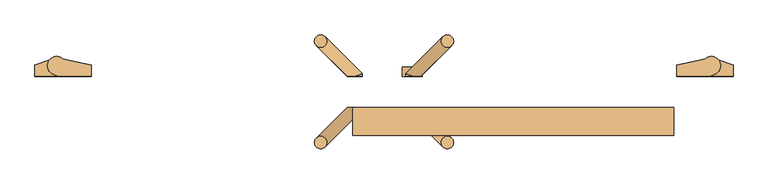
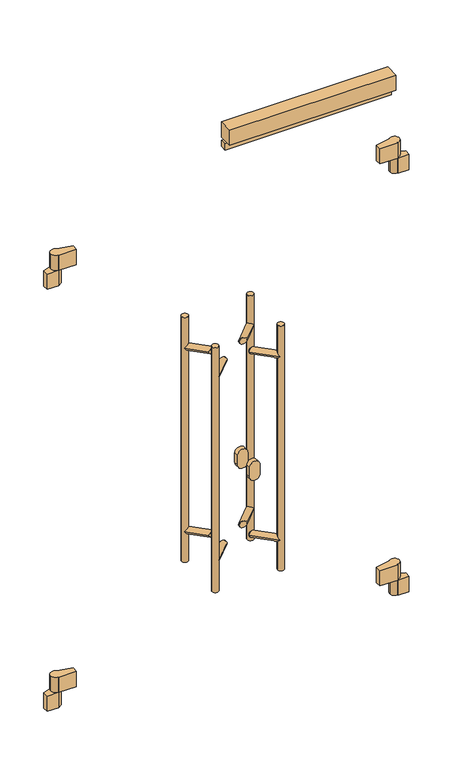
"""IFC4 building model written with IfcOpenShell, lengths in millimetres: door geometry."""

from ifc_helpers import new_model, si_unit, point, frame, frame_2d, origin, place, context, project, spatial, polyline, circle_curve, ellipse_curve, trimmed, segment, composite_curve, outline, extrude, source, transform, mapped, element, save
from ifc_brep_helpers import plane_surface, cylinder_surface, advanced_brep


def door_2e06adc5(model_context):
    return source(origin(), model_context, "Body", "SolidModel", [
        extrude(outline(polyline([(-630.0, -50.0), (-115.0, -50.0), (-115.0, -95.0), (-630.0, -95.0), (-630.0, -50.0)])), frame((0.0, 0.0, 2030.0), z_axis=(0.0, 0.0, 1.0), x_axis=(1.0, 0.0, 0.0)), (0.0, 0.0, 1.0), 50.0),
        extrude(outline(polyline([(-630.0, -50.0), (-115.0, -50.0), (-115.0, -70.0), (-630.0, -70.0), (-630.0, -50.0)])), frame((0.0, 0.0, 2000.0), z_axis=(0.0, 0.0, 1.0), x_axis=(1.0, 0.0, 0.0)), (0.0, 0.0, 1.0), 20.0),
        advanced_brep(
        [(-110.0, 0.0, 400.0), (-55.0, 0.0, 400.0), (-55.0, 2.0, 400.0), (-40.0, 17.0, 400.0), (-65.5040029, 27.7082175, 400.0), (-110.0, 18.0, 400.0), (-70.0, 17.0, 300.0), (-42.8866516, 25.846852, 300.0), (-20.0, 18.0, 300.0), (-20.0, 0.0, 300.0), (-55.0, 0.0, 300.0), (-55.0, 2.0, 300.0), (-55.0, 2.0, 350.0), (-40.0, 17.0, 350.0), (-70.0, 17.0, 350.0), (-55.0, 2.0, 350.0), (-42.8866516, 25.846852, 350.0), (-65.5040029, 27.7082175, 350.0), (-110.0, 0.0, 350.0), (-110.0, 18.0, 350.0), (-55.0, 0.0, 350.0), (-20.0, 0.0, 350.0), (-20.0, 18.0, 350.0)],
        [
            (0, 1),
            (1, 2),
            (2, 3, circle_curve(frame((-55.0, 17.0, 400.0), z_axis=(0.0, 0.0, 1.0), x_axis=(1.0, 0.0, 0.0)), 15.0)),
            (3, 4, circle_curve(frame((-55.0, 17.0, 400.0), z_axis=(0.0, 0.0, 1.0), x_axis=(1.0, 0.0, 0.0)), 15.0)),
            (4, 5),
            (5, 0),
            (6, 7, circle_curve(frame((-55.0, 17.0, 300.0), z_axis=(0.0, 0.0, -1.0), x_axis=(1.0, 0.0, 0.0)), 15.0)),
            (7, 8),
            (8, 9),
            (9, 10),
            (10, 11),
            (11, 6, circle_curve(frame((-55.0, 17.0, 300.0), z_axis=(0.0, 0.0, -1.0), x_axis=(1.0, 0.0, 0.0)), 15.0)),
            (2, 12),
            (12, 13, circle_curve(frame((-55.0, 17.0, 350.0), z_axis=(0.0, 0.0, 1.0), x_axis=(1.0, 0.0, 0.0)), 15.0)),
            (13, 3),
            (14, 6),
            (11, 15),
            (15, 14, circle_curve(frame((-55.0, 17.0, 350.0), z_axis=(0.0, 0.0, -1.0), x_axis=(1.0, 0.0, 0.0)), 15.0)),
            (13, 16, circle_curve(frame((-55.0, 17.0, 350.0), z_axis=(0.0, 0.0, 1.0), x_axis=(1.0, 0.0, 0.0)), 15.0)),
            (16, 7),
            (14, 17, circle_curve(frame((-55.0, 17.0, 350.0), z_axis=(0.0, 0.0, -1.0), x_axis=(1.0, 0.0, 0.0)), 15.0)),
            (17, 4),
            (18, 19),
            (19, 17),
            (15, 20),
            (20, 18),
            (0, 18),
            (20, 1),
            (20, 12),
            (19, 5),
            (20, 21),
            (21, 22),
            (22, 16),
            (10, 20),
            (9, 21),
            (8, 22),
        ],
        [
            plane_surface(frame((-40.0, 17.0, 400.0), z_axis=(0.0, 0.0, 1.0), x_axis=(0.0, 1.0, 0.0))),
            plane_surface(frame((-40.0, 17.0, 300.0), z_axis=(0.0, 0.0, -1.0), x_axis=(0.0, -1.0, 0.0))),
            cylinder_surface(frame((-55.0, 17.0, 300.0), z_axis=(0.0, 0.0, 1.0), x_axis=(1.0, 0.0, 0.0)), 15.0),
            plane_surface(frame((-55.0, 0.0, 350.0), z_axis=(0.0, 0.0, -1.0), x_axis=(-1.0, 0.0, 0.0))),
            plane_surface(frame((-110.0, 0.0, 400.0), z_axis=(0.0, -1.0, 0.0), x_axis=(0.0, 0.0, -1.0))),
            plane_surface(frame((-55.0, 0.0, 400.0), z_axis=(1.0, 0.0, 0.0), x_axis=(0.0, 0.0, -1.0))),
            plane_surface(frame((-55.0, 30.0, 400.0), z_axis=(-0.2131670752167252, 0.9770157614099924, 0.0), x_axis=(0.0, 0.0, -1.0))),
            plane_surface(frame((-110.0, 18.0, 400.0), z_axis=(-1.0, 0.0, 0.0), x_axis=(0.0, 0.0, -1.0))),
            plane_surface(frame((-55.0, 0.0, 350.0), z_axis=(0.0, 0.0, 1.0), x_axis=(0.0, -1.0, 0.0))),
            plane_surface(frame((-55.0, 30.0, 350.0), z_axis=(-1.0, 0.0, 0.0), x_axis=(0.0, 0.0, -1.0))),
            plane_surface(frame((-55.0, 0.0, 350.0), z_axis=(0.0, -1.0, 0.0), x_axis=(0.0, 0.0, -1.0))),
            plane_surface(frame((-20.0, 0.0, 350.0), z_axis=(1.0, 0.0, 0.0), x_axis=(0.0, 0.0, -1.0))),
            plane_surface(frame((-20.0, 18.0, 350.0), z_axis=(0.3243243243243251, 0.9459459459459457, 0.0), x_axis=(0.0, 0.0, -1.0))),
        ],
        [
            (0, [[1, 2, 3, 4, 5, 6]]),
            (1, [[7, 8, 9, 10, 11, 12]]),
            (2, [[-3, 13, 14, 15]]),
            (2, [[16, -12, 17, 18]]),
            (2, [[-4, -15, 19, 20, -7, -16, 21, 22]]),
            (3, [[23, 24, -21, -18, 25, 26]]),
            (4, [[-1, 27, -26, 28]]),
            (5, [[-28, 29, -13, -2]]),
            (6, [[30, -5, -22, -24]]),
            (7, [[-6, -30, -23, -27]]),
            (8, [[31, 32, 33, -19, -14, -29]]),
            (9, [[34, -25, -17, -11]]),
            (10, [[-31, -34, -10, 35]]),
            (11, [[-32, -35, -9, 36]]),
            (12, [[-36, -8, -20, -33]]),
        ],
    ),
        advanced_brep(
        [(-1050.0, 0.0, 400.0), (-1050.0, 18.0, 400.0), (-1094.4959971, 27.7082175, 400.0), (-1120.0, 17.0, 400.0), (-1105.0, 2.0, 400.0), (-1105.0, 0.0, 400.0), (-1117.1133484, 25.846852, 300.0), (-1090.0, 17.0, 300.0), (-1105.0, 2.0, 300.0), (-1105.0, 0.0, 300.0), (-1140.0, 0.0, 300.0), (-1140.0, 18.0, 300.0), (-1120.0, 17.0, 350.0), (-1105.0, 2.0, 350.0), (-1090.0, 17.0, 350.0), (-1105.0, 2.0, 350.0), (-1094.4959971, 27.7082175, 350.0), (-1117.1133484, 25.846852, 350.0), (-1050.0, 0.0, 350.0), (-1105.0, 0.0, 350.0), (-1050.0, 18.0, 350.0), (-1140.0, 18.0, 350.0), (-1140.0, 0.0, 350.0)],
        [
            (0, 1),
            (1, 2),
            (2, 3, circle_curve(frame((-1105.0, 17.0, 400.0), z_axis=(0.0, 0.0, 1.0), x_axis=(1.0, 0.0, 0.0)), 15.0)),
            (3, 4, circle_curve(frame((-1105.0, 17.0, 400.0), z_axis=(0.0, 0.0, 1.0), x_axis=(1.0, 0.0, 0.0)), 15.0)),
            (4, 5),
            (5, 0),
            (6, 7, circle_curve(frame((-1105.0, 17.0, 300.0), z_axis=(0.0, 0.0, -1.0), x_axis=(1.0, 0.0, 0.0)), 15.0)),
            (7, 8, circle_curve(frame((-1105.0, 17.0, 300.0), z_axis=(0.0, 0.0, -1.0), x_axis=(1.0, 0.0, 0.0)), 15.0)),
            (8, 9),
            (9, 10),
            (10, 11),
            (11, 6),
            (3, 12),
            (12, 13, circle_curve(frame((-1105.0, 17.0, 350.0), z_axis=(0.0, 0.0, 1.0), x_axis=(1.0, 0.0, 0.0)), 15.0)),
            (13, 4),
            (7, 14),
            (14, 15, circle_curve(frame((-1105.0, 17.0, 350.0), z_axis=(0.0, 0.0, -1.0), x_axis=(1.0, 0.0, 0.0)), 15.0)),
            (15, 8),
            (2, 16),
            (16, 14, circle_curve(frame((-1105.0, 17.0, 350.0), z_axis=(0.0, 0.0, -1.0), x_axis=(1.0, 0.0, 0.0)), 15.0)),
            (6, 17),
            (17, 12, circle_curve(frame((-1105.0, 17.0, 350.0), z_axis=(0.0, 0.0, 1.0), x_axis=(1.0, 0.0, 0.0)), 15.0)),
            (18, 19),
            (19, 15),
            (16, 20),
            (20, 18),
            (0, 18),
            (20, 1),
            (19, 5),
            (13, 19),
            (21, 22),
            (22, 19),
            (17, 21),
            (11, 21),
            (10, 22),
            (9, 19),
        ],
        [
            plane_surface(frame((-40.0, 17.0, 400.0), z_axis=(0.0, 0.0, 1.0), x_axis=(0.0, 1.0, 0.0))),
            plane_surface(frame((-40.0, 17.0, 300.0), z_axis=(0.0, 0.0, -1.0), x_axis=(0.0, -1.0, 0.0))),
            cylinder_surface(frame((-1105.0, 17.0, 0.0), z_axis=(0.0, 0.0, 1.0), x_axis=(1.0, 0.0, 0.0)), 15.0),
            plane_surface(frame((-55.0, 0.0, 350.0), z_axis=(0.0, 0.0, -1.0), x_axis=(-1.0, 0.0, 0.0))),
            plane_surface(frame((-1050.0, 0.0, 400.0), z_axis=(1.0, 0.0, 0.0), x_axis=(0.0, 0.0, -1.0))),
            plane_surface(frame((-1050.0, 18.0, 400.0), z_axis=(0.2131670752167282, 0.9770157614099917, 0.0), x_axis=(0.0, 0.0, -1.0))),
            plane_surface(frame((-1105.0, 30.0, 400.0), z_axis=(-1.0, 0.0, 0.0), x_axis=(0.0, 0.0, -1.0))),
            plane_surface(frame((-1105.0, 0.0, 400.0), z_axis=(0.0, -1.0, 0.0), x_axis=(0.0, 0.0, -1.0))),
            plane_surface(frame((-55.0, 0.0, 350.0), z_axis=(0.0, 0.0, 1.0), x_axis=(0.0, -1.0, 0.0))),
            plane_surface(frame((-1105.0, 30.0, 350.0), z_axis=(-0.3243243243243222, 0.9459459459459467, 0.0), x_axis=(0.0, 0.0, -1.0))),
            plane_surface(frame((-1140.0, 18.0, 350.0), z_axis=(-1.0, 0.0, 0.0), x_axis=(0.0, 0.0, -1.0))),
            plane_surface(frame((-1140.0, 0.0, 350.0), z_axis=(0.0, -1.0, 0.0), x_axis=(0.0, 0.0, -1.0))),
            plane_surface(frame((-1105.0, 0.0, 350.0), z_axis=(1.0, 0.0, 0.0), x_axis=(0.0, 0.0, -1.0))),
        ],
        [
            (0, [[1, 2, 3, 4, 5, 6]]),
            (1, [[7, 8, 9, 10, 11, 12]]),
            (2, [[-4, 13, 14, 15]]),
            (2, [[16, 17, 18, -8]]),
            (2, [[-3, 19, 20, -16, -7, 21, 22, -13]]),
            (3, [[23, 24, -17, -20, 25, 26]]),
            (4, [[-1, 27, -26, 28]]),
            (5, [[-28, -25, -19, -2]]),
            (6, [[29, -5, -15, 30]]),
            (7, [[-6, -29, -23, -27]]),
            (8, [[31, 32, -30, -14, -22, 33]]),
            (9, [[34, -33, -21, -12]]),
            (10, [[-31, -34, -11, 35]]),
            (11, [[-32, -35, -10, 36]]),
            (12, [[-36, -9, -18, -24]]),
        ],
    ),
        advanced_brep(
        [(-110.0, 0.0, 1780.0), (-55.0, 0.0, 1780.0), (-55.0, 2.0, 1780.0), (-40.0, 17.0, 1780.0), (-65.5040029, 27.7082175, 1780.0), (-110.0, 18.0, 1780.0), (-70.0, 17.0, 1680.0), (-42.8866516, 25.846852, 1680.0), (-20.0, 18.0, 1680.0), (-20.0, 0.0, 1680.0), (-55.0, 0.0, 1680.0), (-55.0, 2.0, 1680.0), (-55.0, 2.0, 1730.0), (-40.0, 17.0, 1730.0), (-70.0, 17.0, 1730.0), (-55.0, 2.0, 1730.0), (-42.8866516, 25.846852, 1730.0), (-65.5040029, 27.7082175, 1730.0), (-110.0, 0.0, 1730.0), (-110.0, 18.0, 1730.0), (-55.0, 0.0, 1730.0), (-20.0, 0.0, 1730.0), (-20.0, 18.0, 1730.0)],
        [
            (0, 1),
            (1, 2),
            (2, 3, circle_curve(frame((-55.0, 17.0, 1780.0), z_axis=(0.0, 0.0, 1.0), x_axis=(1.0, 0.0, 0.0)), 15.0)),
            (3, 4, circle_curve(frame((-55.0, 17.0, 1780.0), z_axis=(0.0, 0.0, 1.0), x_axis=(1.0, 0.0, 0.0)), 15.0)),
            (4, 5),
            (5, 0),
            (6, 7, circle_curve(frame((-55.0, 17.0, 1680.0), z_axis=(0.0, 0.0, -1.0), x_axis=(1.0, 0.0, 0.0)), 15.0)),
            (7, 8),
            (8, 9),
            (9, 10),
            (10, 11),
            (11, 6, circle_curve(frame((-55.0, 17.0, 1680.0), z_axis=(0.0, 0.0, -1.0), x_axis=(1.0, 0.0, 0.0)), 15.0)),
            (2, 12),
            (12, 13, circle_curve(frame((-55.0, 17.0, 1730.0), z_axis=(0.0, 0.0, 1.0), x_axis=(1.0, 0.0, 0.0)), 15.0)),
            (13, 3),
            (14, 6),
            (11, 15),
            (15, 14, circle_curve(frame((-55.0, 17.0, 1730.0), z_axis=(0.0, 0.0, -1.0), x_axis=(1.0, 0.0, 0.0)), 15.0)),
            (13, 16, circle_curve(frame((-55.0, 17.0, 1730.0), z_axis=(0.0, 0.0, 1.0), x_axis=(1.0, 0.0, 0.0)), 15.0)),
            (16, 7),
            (14, 17, circle_curve(frame((-55.0, 17.0, 1730.0), z_axis=(0.0, 0.0, -1.0), x_axis=(1.0, 0.0, 0.0)), 15.0)),
            (17, 4),
            (18, 19),
            (19, 17),
            (15, 20),
            (20, 18),
            (20, 1),
            (0, 18),
            (20, 12),
            (19, 5),
            (20, 21),
            (21, 22),
            (22, 16),
            (10, 20),
            (9, 21),
            (8, 22),
        ],
        [
            plane_surface(frame((-40.0, 17.0, 1780.0), z_axis=(0.0, 0.0, 1.0), x_axis=(0.0, 1.0, 0.0))),
            plane_surface(frame((-40.0, 17.0, 1680.0), z_axis=(0.0, 0.0, -1.0), x_axis=(0.0, -1.0, 0.0))),
            cylinder_surface(frame((-55.0, 17.0, 1680.0), z_axis=(0.0, 0.0, 1.0), x_axis=(1.0, 0.0, 0.0)), 15.0),
            plane_surface(frame((-55.0, 0.0, 1730.0), z_axis=(0.0, 0.0, -1.0), x_axis=(-1.0, 0.0, 0.0))),
            plane_surface(frame((-110.0, 0.0, 1780.0), z_axis=(0.0, -1.0, 0.0), x_axis=(0.0, 0.0, -1.0))),
            plane_surface(frame((-55.0, 0.0, 1780.0), z_axis=(1.0, 0.0, 0.0), x_axis=(0.0, 0.0, -1.0))),
            plane_surface(frame((-55.0, 30.0, 1780.0), z_axis=(-0.21316707521672512, 0.9770157614099924, 0.0), x_axis=(0.0, 0.0, -1.0))),
            plane_surface(frame((-110.0, 18.0, 1780.0), z_axis=(-1.0, 0.0, 0.0), x_axis=(0.0, 0.0, -1.0))),
            plane_surface(frame((-55.0, 0.0, 1730.0), z_axis=(0.0, 0.0, 1.0), x_axis=(0.0, -1.0, 0.0))),
            plane_surface(frame((-55.0, 30.0, 1730.0), z_axis=(-1.0, 0.0, 0.0), x_axis=(0.0, 0.0, -1.0))),
            plane_surface(frame((-55.0, 0.0, 1730.0), z_axis=(0.0, -1.0, 0.0), x_axis=(0.0, 0.0, -1.0))),
            plane_surface(frame((-20.0, 0.0, 1730.0), z_axis=(1.0, 0.0, 0.0), x_axis=(0.0, 0.0, -1.0))),
            plane_surface(frame((-20.0, 18.0, 1730.0), z_axis=(0.3243243243243251, 0.9459459459459457, 0.0), x_axis=(0.0, 0.0, -1.0))),
        ],
        [
            (0, [[1, 2, 3, 4, 5, 6]]),
            (1, [[7, 8, 9, 10, 11, 12]]),
            (2, [[-3, 13, 14, 15]]),
            (2, [[16, -12, 17, 18]]),
            (2, [[-4, -15, 19, 20, -7, -16, 21, 22]]),
            (3, [[23, 24, -21, -18, 25, 26]]),
            (4, [[-26, 27, -1, 28]]),
            (5, [[-27, 29, -13, -2]]),
            (6, [[30, -5, -22, -24]]),
            (7, [[-23, -28, -6, -30]]),
            (8, [[31, 32, 33, -19, -14, -29]]),
            (9, [[34, -25, -17, -11]]),
            (10, [[-10, 35, -31, -34]]),
            (11, [[-9, 36, -32, -35]]),
            (12, [[-36, -8, -20, -33]]),
        ],
    ),
        advanced_brep(
        [(-1050.0, 0.0, 1780.0), (-1050.0, 18.0, 1780.0), (-1094.4959971, 27.7082175, 1780.0), (-1120.0, 17.0, 1780.0), (-1105.0, 2.0, 1780.0), (-1105.0, 0.0, 1780.0), (-1117.1133484, 25.846852, 1680.0), (-1090.0, 17.0, 1680.0), (-1105.0, 2.0, 1680.0), (-1105.0, 0.0, 1680.0), (-1140.0, 0.0, 1680.0), (-1140.0, 18.0, 1680.0), (-1120.0, 17.0, 1730.0), (-1105.0, 2.0, 1730.0), (-1090.0, 17.0, 1730.0), (-1105.0, 2.0, 1730.0), (-1094.4959971, 27.7082175, 1730.0), (-1117.1133484, 25.846852, 1730.0), (-1050.0, 0.0, 1730.0), (-1105.0, 0.0, 1730.0), (-1050.0, 18.0, 1730.0), (-1140.0, 18.0, 1730.0), (-1140.0, 0.0, 1730.0)],
        [
            (0, 1),
            (1, 2),
            (2, 3, circle_curve(frame((-1105.0, 17.0, 1780.0), z_axis=(0.0, 0.0, 1.0), x_axis=(1.0, 0.0, 0.0)), 15.0)),
            (3, 4, circle_curve(frame((-1105.0, 17.0, 1780.0), z_axis=(0.0, 0.0, 1.0), x_axis=(1.0, 0.0, 0.0)), 15.0)),
            (4, 5),
            (5, 0),
            (6, 7, circle_curve(frame((-1105.0, 17.0, 1680.0), z_axis=(0.0, 0.0, -1.0), x_axis=(1.0, 0.0, 0.0)), 15.0)),
            (7, 8, circle_curve(frame((-1105.0, 17.0, 1680.0), z_axis=(0.0, 0.0, -1.0), x_axis=(1.0, 0.0, 0.0)), 15.0)),
            (8, 9),
            (9, 10),
            (10, 11),
            (11, 6),
            (3, 12),
            (12, 13, circle_curve(frame((-1105.0, 17.0, 1730.0), z_axis=(0.0, 0.0, 1.0), x_axis=(1.0, 0.0, 0.0)), 15.0)),
            (13, 4),
            (7, 14),
            (14, 15, circle_curve(frame((-1105.0, 17.0, 1730.0), z_axis=(0.0, 0.0, -1.0), x_axis=(1.0, 0.0, 0.0)), 15.0)),
            (15, 8),
            (2, 16),
            (16, 14, circle_curve(frame((-1105.0, 17.0, 1730.0), z_axis=(0.0, 0.0, -1.0), x_axis=(1.0, 0.0, 0.0)), 15.0)),
            (6, 17),
            (17, 12, circle_curve(frame((-1105.0, 17.0, 1730.0), z_axis=(0.0, 0.0, 1.0), x_axis=(1.0, 0.0, 0.0)), 15.0)),
            (18, 19),
            (19, 15),
            (16, 20),
            (20, 18),
            (20, 1),
            (0, 18),
            (19, 5),
            (13, 19),
            (21, 22),
            (22, 19),
            (17, 21),
            (11, 21),
            (10, 22),
            (9, 19),
        ],
        [
            plane_surface(frame((-40.0, 17.0, 1780.0), z_axis=(0.0, 0.0, 1.0), x_axis=(0.0, 1.0, 0.0))),
            plane_surface(frame((-40.0, 17.0, 1680.0), z_axis=(0.0, 0.0, -1.0), x_axis=(0.0, -1.0, 0.0))),
            cylinder_surface(frame((-1105.0, 17.0, 0.0), z_axis=(0.0, 0.0, 1.0), x_axis=(1.0, 0.0, 0.0)), 15.0),
            plane_surface(frame((-55.0, 0.0, 1730.0), z_axis=(0.0, 0.0, -1.0), x_axis=(-1.0, 0.0, 0.0))),
            plane_surface(frame((-1050.0, 0.0, 1780.0), z_axis=(1.0, 0.0, 0.0), x_axis=(0.0, 0.0, -1.0))),
            plane_surface(frame((-1050.0, 18.0, 1780.0), z_axis=(0.2131670752167268, 0.977015761409992, 0.0), x_axis=(0.0, 0.0, -1.0))),
            plane_surface(frame((-1105.0, 30.0, 1780.0), z_axis=(-1.0, 0.0, 0.0), x_axis=(0.0, 0.0, -1.0))),
            plane_surface(frame((-1105.0, 0.0, 1780.0), z_axis=(0.0, -1.0, 0.0), x_axis=(0.0, 0.0, -1.0))),
            plane_surface(frame((-55.0, 0.0, 1730.0), z_axis=(0.0, 0.0, 1.0), x_axis=(0.0, -1.0, 0.0))),
            plane_surface(frame((-1105.0, 30.0, 1730.0), z_axis=(-0.324324324324321, 0.945945945945947, 0.0), x_axis=(0.0, 0.0, -1.0))),
            plane_surface(frame((-1140.0, 18.0, 1730.0), z_axis=(-1.0, 0.0, 0.0), x_axis=(0.0, 0.0, -1.0))),
            plane_surface(frame((-1140.0, 0.0, 1730.0), z_axis=(0.0, -1.0, 0.0), x_axis=(0.0, 0.0, -1.0))),
            plane_surface(frame((-1105.0, 0.0, 1730.0), z_axis=(1.0, 0.0, 0.0), x_axis=(0.0, 0.0, -1.0))),
        ],
        [
            (0, [[1, 2, 3, 4, 5, 6]]),
            (1, [[7, 8, 9, 10, 11, 12]]),
            (2, [[-4, 13, 14, 15]]),
            (2, [[16, 17, 18, -8]]),
            (2, [[-3, 19, 20, -16, -7, 21, 22, -13]]),
            (3, [[23, 24, -17, -20, 25, 26]]),
            (4, [[-26, 27, -1, 28]]),
            (5, [[-27, -25, -19, -2]]),
            (6, [[29, -5, -15, 30]]),
            (7, [[-23, -28, -6, -29]]),
            (8, [[31, 32, -30, -14, -22, 33]]),
            (9, [[34, -33, -21, -12]]),
            (10, [[-11, 35, -31, -34]]),
            (11, [[-10, 36, -32, -35]]),
            (12, [[-36, -9, -18, -24]]),
        ],
    ),
        advanced_brep(
        [(-488.4314575, 56.5685425, 1400.0), (-468.4314575, 56.5685425, 1400.0), (-488.4314575, 56.5685425, 600.0), (-468.4314575, 56.5685425, 600.0), (-535.0, 0.0, 710.0), (-545.0, 0.0, 700.0), (-535.0, 0.0, 690.0), (-520.8578644, 0.0, 700.0), (-535.0, 0.0, 1310.0), (-545.0, 0.0, 1300.0), (-535.0, 0.0, 1290.0), (-520.8578644, 0.0, 1300.0), (-545.0, 4.1421356, 700.0), (-545.0, 4.1421356, 1300.0), (-485.5025253, 63.6396103, 700.0), (-471.3603897, 49.4974747, 700.0), (-488.4314575, 56.5685425, 707.0710678), (-488.4314575, 56.5685425, 692.9289322), (-485.5025253, 63.6396103, 1300.0), (-471.3603897, 49.4974747, 1300.0), (-488.4314575, 56.5685425, 1307.0710678), (-488.4314575, 56.5685425, 1292.9289322)],
        [
            (0, 1, circle_curve(frame((-478.4314575, 56.5685425, 1400.0), z_axis=(0.0, 0.0, 1.0), x_axis=(1.0, 0.0, 0.0)), 10.0)),
            (1, 0, circle_curve(frame((-478.4314575, 56.5685425, 1400.0), z_axis=(0.0, 0.0, 1.0), x_axis=(1.0, 0.0, 0.0)), 10.0)),
            (2, 3, circle_curve(frame((-478.4314575, 56.5685425, 600.0), z_axis=(0.0, 0.0, -1.0), x_axis=(1.0, 0.0, 0.0)), 10.0)),
            (3, 2, circle_curve(frame((-478.4314575, 56.5685425, 600.0), z_axis=(0.0, 0.0, -1.0), x_axis=(1.0, 0.0, 0.0)), 10.0)),
            (4, 5, circle_curve(frame((-535.0, 0.0, 700.0), z_axis=(0.0, -1.0, 0.0), x_axis=(-1.0, 0.0, 0.0)), 10.0)),
            (5, 6, circle_curve(frame((-535.0, 0.0, 700.0), z_axis=(0.0, -1.0, 0.0), x_axis=(-1.0, 0.0, 0.0)), 10.0)),
            (6, 7, ellipse_curve(frame((-535.0, 0.0, 700.0), z_axis=(0.0, -1.0, 0.0), x_axis=(-1.0, 0.0, 0.0)), 14.1421356, 10.0)),
            (7, 4, ellipse_curve(frame((-535.0, 0.0, 700.0), z_axis=(0.0, -1.0, 0.0), x_axis=(-1.0, 0.0, 0.0)), 14.1421356, 10.0)),
            (8, 9, circle_curve(frame((-535.0, 0.0, 1300.0), z_axis=(0.0, -1.0, 0.0), x_axis=(-1.0, 0.0, 0.0)), 10.0)),
            (9, 10, circle_curve(frame((-535.0, 0.0, 1300.0), z_axis=(0.0, -1.0, 0.0), x_axis=(-1.0, 0.0, 0.0)), 10.0)),
            (10, 11, ellipse_curve(frame((-535.0, 0.0, 1300.0), z_axis=(0.0, -1.0, 0.0), x_axis=(-1.0, 0.0, 0.0)), 14.1421356, 10.0)),
            (11, 8, ellipse_curve(frame((-535.0, 0.0, 1300.0), z_axis=(0.0, -1.0, 0.0), x_axis=(-1.0, 0.0, 0.0)), 14.1421356, 10.0)),
            (4, 12, ellipse_curve(frame((-535.0, 0.0, 700.0), z_axis=(-0.3826834323651387, -0.9238795325112665, 0.0), x_axis=(0.9238795325112664, -0.3826834323651385, 0.0)), 10.823922, 10.0)),
            (12, 5),
            (12, 6, ellipse_curve(frame((-535.0, 0.0, 700.0), z_axis=(-0.3826834323651387, -0.9238795325112665, 0.0), x_axis=(0.9238795325112664, -0.3826834323651385, 0.0)), 10.823922, 10.0)),
            (8, 13, ellipse_curve(frame((-535.0, 0.0, 1300.0), z_axis=(-0.3826834323651387, -0.9238795325112665, 0.0), x_axis=(0.9238795325112664, -0.3826834323651385, 0.0)), 10.823922, 10.0)),
            (13, 9),
            (13, 10, ellipse_curve(frame((-535.0, 0.0, 1300.0), z_axis=(-0.3826834323651387, -0.9238795325112665, 0.0), x_axis=(0.9238795325112664, -0.3826834323651385, 0.0)), 10.823922, 10.0)),
            (14, 12),
            (7, 15),
            (15, 16, ellipse_curve(frame((-478.4314575, 56.5685425, 700.0), z_axis=(-0.5000000000000507, -0.4999999999999471, -0.707106781186549), x_axis=(-0.5000000000000551, -0.4999999999999471, 0.7071067811865459)), 14.1421356, 10.0)),
            (16, 14, ellipse_curve(frame((-478.4314575, 56.5685425, 700.0), z_axis=(-0.5000000000000507, -0.4999999999999471, -0.707106781186549), x_axis=(-0.5000000000000551, -0.4999999999999471, 0.7071067811865459)), 14.1421356, 10.0)),
            (14, 17, ellipse_curve(frame((-478.4314575, 56.5685425, 700.0), z_axis=(-0.5000000000000551, -0.4999999999999471, 0.7071067811865459), x_axis=(-0.5000000000000507, -0.4999999999999471, -0.7071067811865489)), 14.1421356, 10.0)),
            (17, 15, ellipse_curve(frame((-478.4314575, 56.5685425, 700.0), z_axis=(-0.5000000000000551, -0.4999999999999471, 0.7071067811865459), x_axis=(-0.5000000000000507, -0.4999999999999471, -0.7071067811865489)), 14.1421356, 10.0)),
            (18, 13),
            (11, 19),
            (19, 20, ellipse_curve(frame((-478.4314575, 56.5685425, 1300.0), z_axis=(-0.5000000000000507, -0.4999999999999471, -0.707106781186549), x_axis=(-0.5000000000000551, -0.4999999999999471, 0.7071067811865459)), 14.1421356, 10.0)),
            (20, 18, ellipse_curve(frame((-478.4314575, 56.5685425, 1300.0), z_axis=(-0.5000000000000507, -0.4999999999999471, -0.707106781186549), x_axis=(-0.5000000000000551, -0.4999999999999471, 0.7071067811865459)), 14.1421356, 10.0)),
            (18, 21, ellipse_curve(frame((-478.4314575, 56.5685425, 1300.0), z_axis=(-0.5000000000000551, -0.4999999999999471, 0.7071067811865459), x_axis=(-0.5000000000000507, -0.4999999999999471, -0.7071067811865489)), 14.1421356, 10.0)),
            (21, 19, ellipse_curve(frame((-478.4314575, 56.5685425, 1300.0), z_axis=(-0.5000000000000551, -0.4999999999999471, 0.7071067811865459), x_axis=(-0.5000000000000507, -0.4999999999999471, -0.7071067811865489)), 14.1421356, 10.0)),
            (0, 20),
            (21, 16),
            (17, 2),
            (3, 1),
        ],
        [
            plane_surface(frame((-468.4314575, 56.5685425, 1400.0), z_axis=(0.0, 0.0, 1.0), x_axis=(0.0, 1.0, 0.0))),
            plane_surface(frame((-468.4314575, 56.5685425, 600.0), z_axis=(0.0, 0.0, -1.0), x_axis=(0.0, -1.0, 0.0))),
            plane_surface(frame((-675.0, 0.0, 600.0), z_axis=(0.0, -1.0, 0.0), x_axis=(0.0, 0.0, 1.0))),
            cylinder_surface(frame((-535.0, -50.0, 700.0), z_axis=(0.0, -1.0, 0.0), x_axis=(-1.0, 0.0, 0.0)), 10.0),
            cylinder_surface(frame((-535.0, -50.0, 1300.0), z_axis=(0.0, -1.0, 0.0), x_axis=(-1.0, 0.0, 0.0)), 10.0),
            cylinder_surface(frame((-535.0, 0.0, 700.0), z_axis=(-0.7071067811866224, -0.7071067811864727, 0.0), x_axis=(-0.7071067811864727, 0.7071067811866224, 0.0)), 10.0),
            cylinder_surface(frame((-535.0, 0.0, 1300.0), z_axis=(-0.7071067811866224, -0.7071067811864727, 0.0), x_axis=(-0.7071067811864727, 0.7071067811866224, 0.0)), 10.0),
            cylinder_surface(frame((-478.4314575, 56.5685425, 600.0), z_axis=(0.0, 0.0, 1.0), x_axis=(1.0, 0.0, 0.0)), 10.0),
        ],
        [
            (0, [[1, 2]]),
            (1, [[3, 4]]),
            (2, [[5, 6, 7, 8]]),
            (2, [[9, 10, 11, 12]]),
            (3, [[13, 14, -5]]),
            (3, [[-14, 15, -6]]),
            (4, [[16, 17, -9]]),
            (4, [[-17, 18, -10]]),
            (5, [[19, -13, -8, 20, 21, 22]]),
            (5, [[-19, 23, 24, -20, -7, -15]]),
            (6, [[25, -16, -12, 26, 27, 28]]),
            (6, [[-25, 29, 30, -26, -11, -18]]),
            (7, [[-1, 31, -27, -30, 32, -21, -24, 33, -4, 34]]),
            (7, [[-2, -34, -3, -33, -23, -22, -32, -29, -28, -31]]),
        ],
    ),
        advanced_brep(
        [(-488.4314575, -106.5685425, 1400.0), (-468.4314575, -106.5685425, 1400.0), (-488.4314575, -106.5685425, 600.0), (-468.4314575, -106.5685425, 600.0), (-535.0, -50.0, 710.0), (-520.8578644, -50.0, 700.0), (-535.0, -50.0, 690.0), (-545.0, -50.0, 700.0), (-535.0, -50.0, 1310.0), (-520.8578644, -50.0, 1300.0), (-535.0, -50.0, 1290.0), (-545.0, -50.0, 1300.0), (-545.0, -54.1421356, 700.0), (-485.5025253, -113.6396103, 700.0), (-488.4314575, -106.5685425, 707.0710678), (-471.3603897, -99.4974747, 700.0), (-488.4314575, -106.5685425, 692.9289322), (-545.0, -54.1421356, 1300.0), (-485.5025253, -113.6396103, 1300.0), (-488.4314575, -106.5685425, 1307.0710678), (-471.3603897, -99.4974747, 1300.0), (-488.4314575, -106.5685425, 1292.9289322)],
        [
            (0, 1, circle_curve(frame((-478.4314575, -106.5685425, 1400.0), z_axis=(0.0, 0.0, 1.0), x_axis=(1.0, 0.0, 0.0)), 10.0)),
            (1, 0, circle_curve(frame((-478.4314575, -106.5685425, 1400.0), z_axis=(0.0, 0.0, 1.0), x_axis=(1.0, 0.0, 0.0)), 10.0)),
            (2, 3, circle_curve(frame((-478.4314575, -106.5685425, 600.0), z_axis=(0.0, 0.0, -1.0), x_axis=(1.0, 0.0, 0.0)), 10.0)),
            (3, 2, circle_curve(frame((-478.4314575, -106.5685425, 600.0), z_axis=(0.0, 0.0, -1.0), x_axis=(1.0, 0.0, 0.0)), 10.0)),
            (4, 5, ellipse_curve(frame((-535.0, -50.0, 700.0), z_axis=(0.0, 1.0, 0.0), x_axis=(1.0, 0.0, 0.0)), 14.1421356, 10.0)),
            (5, 6, ellipse_curve(frame((-535.0, -50.0, 700.0), z_axis=(0.0, 1.0, 0.0), x_axis=(1.0, 0.0, 0.0)), 14.1421356, 10.0)),
            (6, 7, circle_curve(frame((-535.0, -50.0, 700.0), z_axis=(0.0, 1.0, 0.0), x_axis=(-1.0, 0.0, 0.0)), 10.0)),
            (7, 4, circle_curve(frame((-535.0, -50.0, 700.0), z_axis=(0.0, 1.0, 0.0), x_axis=(-1.0, 0.0, 0.0)), 10.0)),
            (8, 9, ellipse_curve(frame((-535.0, -50.0, 1300.0), z_axis=(0.0, 1.0, 0.0), x_axis=(1.0, 0.0, 0.0)), 14.1421356, 10.0)),
            (9, 10, ellipse_curve(frame((-535.0, -50.0, 1300.0), z_axis=(0.0, 1.0, 0.0), x_axis=(1.0, 0.0, 0.0)), 14.1421356, 10.0)),
            (10, 11, circle_curve(frame((-535.0, -50.0, 1300.0), z_axis=(0.0, 1.0, 0.0), x_axis=(-1.0, 0.0, 0.0)), 10.0)),
            (11, 8, circle_curve(frame((-535.0, -50.0, 1300.0), z_axis=(0.0, 1.0, 0.0), x_axis=(-1.0, 0.0, 0.0)), 10.0)),
            (12, 13),
            (13, 14, ellipse_curve(frame((-478.4314575, -106.5685425, 700.0), z_axis=(-0.5000000000000066, 0.49999999999999023, -0.7071067811865498), x_axis=(0.5000000000000119, -0.4999999999999913, -0.7071067811865452)), 14.1421356, 10.0)),
            (14, 15, ellipse_curve(frame((-478.4314575, -106.5685425, 700.0), z_axis=(-0.5000000000000066, 0.49999999999999023, -0.7071067811865498), x_axis=(0.5000000000000119, -0.4999999999999913, -0.7071067811865452)), 14.1421356, 10.0)),
            (15, 5),
            (4, 12, ellipse_curve(frame((-535.0, -50.0, 700.0), z_axis=(0.3826834323650983, -0.9238795325112832, 0.0), x_axis=(0.9238795325112832, 0.38268343236509805, 0.0)), 10.823922, 10.0)),
            (12, 6, ellipse_curve(frame((-535.0, -50.0, 700.0), z_axis=(0.3826834323650983, -0.9238795325112832, 0.0), x_axis=(0.9238795325112832, 0.38268343236509805, 0.0)), 10.823922, 10.0)),
            (15, 16, ellipse_curve(frame((-478.4314575, -106.5685425, 700.0), z_axis=(-0.5000000000000121, 0.49999999999999145, 0.7071067811865451), x_axis=(0.5000000000000062, -0.49999999999999, 0.70710678118655)), 14.1421356, 10.0)),
            (16, 13, ellipse_curve(frame((-478.4314575, -106.5685425, 700.0), z_axis=(-0.5000000000000121, 0.49999999999999145, 0.7071067811865451), x_axis=(0.5000000000000062, -0.49999999999999, 0.70710678118655)), 14.1421356, 10.0)),
            (17, 18),
            (18, 19, ellipse_curve(frame((-478.4314575, -106.5685425, 1300.0), z_axis=(-0.5000000000000066, 0.49999999999999023, -0.7071067811865498), x_axis=(0.5000000000000119, -0.4999999999999913, -0.7071067811865452)), 14.1421356, 10.0)),
            (19, 20, ellipse_curve(frame((-478.4314575, -106.5685425, 1300.0), z_axis=(-0.5000000000000066, 0.49999999999999023, -0.7071067811865498), x_axis=(0.5000000000000119, -0.4999999999999913, -0.7071067811865452)), 14.1421356, 10.0)),
            (20, 9),
            (8, 17, ellipse_curve(frame((-535.0, -50.0, 1300.0), z_axis=(0.3826834323650983, -0.9238795325112832, 0.0), x_axis=(0.9238795325112832, 0.38268343236509805, 0.0)), 10.823922, 10.0)),
            (17, 10, ellipse_curve(frame((-535.0, -50.0, 1300.0), z_axis=(0.3826834323650983, -0.9238795325112832, 0.0), x_axis=(0.9238795325112832, 0.38268343236509805, 0.0)), 10.823922, 10.0)),
            (20, 21, ellipse_curve(frame((-478.4314575, -106.5685425, 1300.0), z_axis=(-0.5000000000000121, 0.49999999999999145, 0.7071067811865451), x_axis=(0.5000000000000062, -0.49999999999999, 0.70710678118655)), 14.1421356, 10.0)),
            (21, 18, ellipse_curve(frame((-478.4314575, -106.5685425, 1300.0), z_axis=(-0.5000000000000121, 0.49999999999999145, 0.7071067811865451), x_axis=(0.5000000000000062, -0.49999999999999, 0.70710678118655)), 14.1421356, 10.0)),
            (7, 12),
            (11, 17),
            (0, 19),
            (21, 14),
            (16, 2),
            (3, 1),
        ],
        [
            plane_surface(frame((-468.4314575, 56.5685425, 1400.0), z_axis=(0.0, 0.0, 1.0), x_axis=(0.0, 1.0, 0.0))),
            plane_surface(frame((-468.4314575, 56.5685425, 600.0), z_axis=(0.0, 0.0, -1.0), x_axis=(0.0, -1.0, 0.0))),
            plane_surface(frame((-485.0, -50.0, 600.0), z_axis=(0.0, 1.0, 0.0), x_axis=(0.0, 0.0, 1.0))),
            cylinder_surface(frame((-478.4314575, -106.5685425, 700.0), z_axis=(0.7071067811865607, -0.7071067811865346, 0.0), x_axis=(-0.7071067811865346, -0.7071067811865607, 0.0)), 10.0),
            cylinder_surface(frame((-478.4314575, -106.5685425, 1300.0), z_axis=(0.7071067811865607, -0.7071067811865346, 0.0), x_axis=(-0.7071067811865346, -0.7071067811865607, 0.0)), 10.0),
            cylinder_surface(frame((-535.0, -50.0, 700.0), z_axis=(0.0, -1.0, 0.0), x_axis=(-1.0, 0.0, 0.0)), 10.0),
            cylinder_surface(frame((-535.0, -50.0, 1300.0), z_axis=(0.0, -1.0, 0.0), x_axis=(-1.0, 0.0, 0.0)), 10.0),
            cylinder_surface(frame((-478.4314575, -106.5685425, 1000.0), z_axis=(0.0, 0.0, 1.0), x_axis=(1.0, 0.0, 0.0)), 10.0),
        ],
        [
            (0, [[1, 2]]),
            (1, [[3, 4]]),
            (2, [[5, 6, 7, 8]]),
            (2, [[9, 10, 11, 12]]),
            (3, [[13, 14, 15, 16, -5, 17]]),
            (3, [[-13, 18, -6, -16, 19, 20]]),
            (4, [[21, 22, 23, 24, -9, 25]]),
            (4, [[-21, 26, -10, -24, 27, 28]]),
            (5, [[-17, -8, 29]]),
            (5, [[-18, -29, -7]]),
            (6, [[-25, -12, 30]]),
            (6, [[-26, -30, -11]]),
            (7, [[-1, 31, -22, -28, 32, -14, -20, 33, -4, 34]]),
            (7, [[-2, -34, -3, -33, -19, -15, -32, -27, -23, -31]]),
        ],
    ),
        advanced_brep(
        [(-691.5685425, 56.5685425, 1400.0), (-671.5685425, 56.5685425, 1400.0), (-691.5685425, 56.5685425, 600.0), (-671.5685425, 56.5685425, 600.0), (-625.0, 0.0, 690.0), (-615.0, 0.0, 700.0), (-625.0, 0.0, 710.0), (-639.1421356, 0.0, 700.0), (-625.0, 0.0, 1290.0), (-615.0, 0.0, 1300.0), (-625.0, 0.0, 1310.0), (-639.1421356, 0.0, 1300.0), (-671.5685425, 56.5685425, 692.9289322), (-688.6396103, 49.4974747, 700.0), (-671.5685425, 56.5685425, 707.0710678), (-671.5685425, 56.5685425, 1292.9289322), (-688.6396103, 49.4974747, 1300.0), (-671.5685425, 56.5685425, 1307.0710678), (-674.4974747, 63.6396103, 1300.0), (-674.4974747, 63.6396103, 700.0), (-615.0, 4.1421356, 700.0), (-615.0, 4.1421356, 1300.0)],
        [
            (0, 1, circle_curve(frame((-681.5685425, 56.5685425, 1400.0), z_axis=(0.0, 0.0, 1.0), x_axis=(1.0, 0.0, 0.0)), 10.0)),
            (1, 0, circle_curve(frame((-681.5685425, 56.5685425, 1400.0), z_axis=(0.0, 0.0, 1.0), x_axis=(1.0, 0.0, 0.0)), 10.0)),
            (2, 3, circle_curve(frame((-681.5685425, 56.5685425, 600.0), z_axis=(0.0, 0.0, -1.0), x_axis=(1.0, 0.0, 0.0)), 10.0)),
            (3, 2, circle_curve(frame((-681.5685425, 56.5685425, 600.0), z_axis=(0.0, 0.0, -1.0), x_axis=(1.0, 0.0, 0.0)), 10.0)),
            (4, 5, circle_curve(frame((-625.0, 0.0, 700.0), z_axis=(0.0, -1.0, 0.0), x_axis=(-1.0, 0.0, 0.0)), 10.0)),
            (5, 6, circle_curve(frame((-625.0, 0.0, 700.0), z_axis=(0.0, -1.0, 0.0), x_axis=(-1.0, 0.0, 0.0)), 10.0)),
            (6, 7, ellipse_curve(frame((-625.0, 0.0, 700.0), z_axis=(0.0, -1.0, 0.0), x_axis=(1.0, 0.0, 0.0)), 14.1421356, 10.0)),
            (7, 4, ellipse_curve(frame((-625.0, 0.0, 700.0), z_axis=(0.0, -1.0, 0.0), x_axis=(1.0, 0.0, 0.0)), 14.1421356, 10.0)),
            (8, 9, circle_curve(frame((-625.0, 0.0, 1300.0), z_axis=(0.0, -1.0, 0.0), x_axis=(-1.0, 0.0, 0.0)), 10.0)),
            (9, 10, circle_curve(frame((-625.0, 0.0, 1300.0), z_axis=(0.0, -1.0, 0.0), x_axis=(-1.0, 0.0, 0.0)), 10.0)),
            (10, 11, ellipse_curve(frame((-625.0, 0.0, 1300.0), z_axis=(0.0, -1.0, 0.0), x_axis=(1.0, 0.0, 0.0)), 14.1421356, 10.0)),
            (11, 8, ellipse_curve(frame((-625.0, 0.0, 1300.0), z_axis=(0.0, -1.0, 0.0), x_axis=(1.0, 0.0, 0.0)), 14.1421356, 10.0)),
            (0, 2),
            (3, 12),
            (12, 13, ellipse_curve(frame((-681.5685425, 56.5685425, 700.0), z_axis=(-0.5000000000000747, 0.49999999999992306, -0.707106781186549), x_axis=(-0.5000000000000792, 0.49999999999992295, 0.707106781186546)), 14.1421356, 10.0)),
            (13, 14, ellipse_curve(frame((-681.5685425, 56.5685425, 700.0), z_axis=(-0.5000000000000792, 0.49999999999992306, 0.7071067811865459), x_axis=(0.5000000000000746, -0.49999999999992306, 0.7071067811865491)), 14.1421356, 10.0)),
            (14, 15),
            (15, 16, ellipse_curve(frame((-681.5685425, 56.5685425, 1300.0), z_axis=(-0.5000000000000747, 0.49999999999992306, -0.707106781186549), x_axis=(-0.5000000000000792, 0.49999999999992295, 0.707106781186546)), 14.1421356, 10.0)),
            (16, 17, ellipse_curve(frame((-681.5685425, 56.5685425, 1300.0), z_axis=(-0.5000000000000792, 0.49999999999992306, 0.7071067811865459), x_axis=(0.5000000000000746, -0.49999999999992306, 0.7071067811865491)), 14.1421356, 10.0)),
            (17, 1),
            (17, 18, ellipse_curve(frame((-681.5685425, 56.5685425, 1300.0), z_axis=(-0.5000000000000792, 0.49999999999992306, 0.7071067811865459), x_axis=(0.5000000000000746, -0.49999999999992306, 0.7071067811865491)), 14.1421356, 10.0)),
            (18, 15, ellipse_curve(frame((-681.5685425, 56.5685425, 1300.0), z_axis=(-0.5000000000000747, 0.49999999999992306, -0.707106781186549), x_axis=(-0.5000000000000792, 0.49999999999992295, 0.707106781186546)), 14.1421356, 10.0)),
            (14, 19, ellipse_curve(frame((-681.5685425, 56.5685425, 700.0), z_axis=(-0.5000000000000792, 0.49999999999992306, 0.7071067811865459), x_axis=(0.5000000000000746, -0.49999999999992306, 0.7071067811865491)), 14.1421356, 10.0)),
            (19, 12, ellipse_curve(frame((-681.5685425, 56.5685425, 700.0), z_axis=(-0.5000000000000747, 0.49999999999992306, -0.707106781186549), x_axis=(-0.5000000000000792, 0.49999999999992295, 0.707106781186546)), 14.1421356, 10.0)),
            (4, 20, ellipse_curve(frame((-625.0, 0.0, 700.0), z_axis=(0.3826834323651609, -0.9238795325112573, 0.0), x_axis=(-0.9238795325112572, -0.3826834323651609, 0.0)), 10.823922, 10.0)),
            (20, 5),
            (20, 6, ellipse_curve(frame((-625.0, 0.0, 700.0), z_axis=(0.3826834323651609, -0.9238795325112573, 0.0), x_axis=(-0.9238795325112572, -0.3826834323651609, 0.0)), 10.823922, 10.0)),
            (8, 21, ellipse_curve(frame((-625.0, 0.0, 1300.0), z_axis=(0.3826834323651609, -0.9238795325112573, 0.0), x_axis=(-0.9238795325112572, -0.3826834323651609, 0.0)), 10.823922, 10.0)),
            (21, 9),
            (21, 10, ellipse_curve(frame((-625.0, 0.0, 1300.0), z_axis=(0.3826834323651609, -0.9238795325112573, 0.0), x_axis=(-0.9238795325112572, -0.3826834323651609, 0.0)), 10.823922, 10.0)),
            (19, 20),
            (7, 13),
            (18, 21),
            (11, 16),
        ],
        [
            plane_surface(frame((-468.4314575, 56.5685425, 1400.0), z_axis=(0.0, 0.0, 1.0), x_axis=(0.0, 1.0, 0.0))),
            plane_surface(frame((-468.4314575, 56.5685425, 600.0), z_axis=(0.0, 0.0, -1.0), x_axis=(0.0, -1.0, 0.0))),
            plane_surface(frame((-675.0, 0.0, 600.0), z_axis=(0.0, -1.0, 0.0), x_axis=(0.0, 0.0, 1.0))),
            cylinder_surface(frame((-681.5685425, 56.5685425, 1000.0), z_axis=(0.0, 0.0, 1.0), x_axis=(1.0, 0.0, 0.0)), 10.0),
            cylinder_surface(frame((-625.0, -50.0, 700.0), z_axis=(0.0, -1.0, 0.0), x_axis=(-1.0, 0.0, 0.0)), 10.0),
            cylinder_surface(frame((-625.0, -50.0, 1300.0), z_axis=(0.0, -1.0, 0.0), x_axis=(-1.0, 0.0, 0.0)), 10.0),
            cylinder_surface(frame((-625.0, 0.0, 700.0), z_axis=(0.7071067811866564, -0.7071067811864388, 0.0), x_axis=(-0.7071067811864388, -0.7071067811866564, 0.0)), 10.0),
            cylinder_surface(frame((-625.0, 0.0, 1300.0), z_axis=(0.7071067811866564, -0.7071067811864388, 0.0), x_axis=(-0.7071067811864388, -0.7071067811866564, 0.0)), 10.0),
        ],
        [
            (0, [[1, 2]]),
            (1, [[3, 4]]),
            (2, [[5, 6, 7, 8]]),
            (2, [[9, 10, 11, 12]]),
            (3, [[-1, 13, -4, 14, 15, 16, 17, 18, 19, 20]]),
            (3, [[-2, -20, 21, 22, -17, 23, 24, -14, -3, -13]]),
            (4, [[25, 26, -5]]),
            (4, [[-26, 27, -6]]),
            (5, [[28, 29, -9]]),
            (5, [[-29, 30, -10]]),
            (6, [[31, -25, -8, 32, -15, -24]]),
            (6, [[-31, -23, -16, -32, -7, -27]]),
            (7, [[33, -28, -12, 34, -18, -22]]),
            (7, [[-33, -21, -19, -34, -11, -30]]),
        ],
    ),
        advanced_brep(
        [(-691.5685425, -106.5685425, 1400.0), (-671.5685425, -106.5685425, 1400.0), (-691.5685425, -106.5685425, 600.0), (-671.5685425, -106.5685425, 600.0), (-625.0, -50.0, 690.0), (-639.1421356, -50.0, 700.0), (-625.0, -50.0, 710.0), (-615.0, -50.0, 700.0), (-625.0, -50.0, 1290.0), (-639.1421356, -50.0, 1300.0), (-625.0, -50.0, 1310.0), (-615.0, -50.0, 1300.0), (-671.5685425, -106.5685425, 692.9289322), (-674.4974747, -113.6396103, 700.0), (-671.5685425, -106.5685425, 707.0710678), (-671.5685425, -106.5685425, 1292.9289322), (-674.4974747, -113.6396103, 1300.0), (-671.5685425, -106.5685425, 1307.0710678), (-688.6396103, -99.4974747, 1300.0), (-688.6396103, -99.4974747, 700.0), (-615.0, -54.1421356, 700.0), (-615.0, -54.1421356, 1300.0)],
        [
            (0, 1, circle_curve(frame((-681.5685425, -106.5685425, 1400.0), z_axis=(0.0, 0.0, 1.0), x_axis=(1.0, 0.0, 0.0)), 10.0)),
            (1, 0, circle_curve(frame((-681.5685425, -106.5685425, 1400.0), z_axis=(0.0, 0.0, 1.0), x_axis=(1.0, 0.0, 0.0)), 10.0)),
            (2, 3, circle_curve(frame((-681.5685425, -106.5685425, 600.0), z_axis=(0.0, 0.0, -1.0), x_axis=(1.0, 0.0, 0.0)), 10.0)),
            (3, 2, circle_curve(frame((-681.5685425, -106.5685425, 600.0), z_axis=(0.0, 0.0, -1.0), x_axis=(1.0, 0.0, 0.0)), 10.0)),
            (4, 5, ellipse_curve(frame((-625.0, -50.0, 700.0), z_axis=(0.0, 1.0, 0.0), x_axis=(-1.0, 0.0, 0.0)), 14.1421356, 10.0)),
            (5, 6, ellipse_curve(frame((-625.0, -50.0, 700.0), z_axis=(0.0, 1.0, 0.0), x_axis=(-1.0, 0.0, 0.0)), 14.1421356, 10.0)),
            (6, 7, circle_curve(frame((-625.0, -50.0, 700.0), z_axis=(0.0, 1.0, 0.0), x_axis=(-1.0, 0.0, 0.0)), 10.0)),
            (7, 4, circle_curve(frame((-625.0, -50.0, 700.0), z_axis=(0.0, 1.0, 0.0), x_axis=(-1.0, 0.0, 0.0)), 10.0)),
            (8, 9, ellipse_curve(frame((-625.0, -50.0, 1300.0), z_axis=(0.0, 1.0, 0.0), x_axis=(-1.0, 0.0, 0.0)), 14.1421356, 10.0)),
            (9, 10, ellipse_curve(frame((-625.0, -50.0, 1300.0), z_axis=(0.0, 1.0, 0.0), x_axis=(-1.0, 0.0, 0.0)), 14.1421356, 10.0)),
            (10, 11, circle_curve(frame((-625.0, -50.0, 1300.0), z_axis=(0.0, 1.0, 0.0), x_axis=(-1.0, 0.0, 0.0)), 10.0)),
            (11, 8, circle_curve(frame((-625.0, -50.0, 1300.0), z_axis=(0.0, 1.0, 0.0), x_axis=(-1.0, 0.0, 0.0)), 10.0)),
            (0, 2),
            (3, 12),
            (12, 13, ellipse_curve(frame((-681.5685425, -106.5685425, 700.0), z_axis=(-0.4999999999999604, -0.5000000000000362, -0.7071067811865498), x_axis=(-0.4999999999999659, -0.5000000000000372, 0.7071067811865452)), 14.1421356, 10.0)),
            (13, 14, ellipse_curve(frame((-681.5685425, -106.5685425, 700.0), z_axis=(-0.49999999999996597, -0.5000000000000373, 0.7071067811865451), x_axis=(0.49999999999996037, 0.5000000000000361, 0.7071067811865498)), 14.1421356, 10.0)),
            (14, 15),
            (15, 16, ellipse_curve(frame((-681.5685425, -106.5685425, 1300.0), z_axis=(-0.4999999999999604, -0.5000000000000362, -0.7071067811865498), x_axis=(-0.4999999999999659, -0.5000000000000372, 0.7071067811865452)), 14.1421356, 10.0)),
            (16, 17, ellipse_curve(frame((-681.5685425, -106.5685425, 1300.0), z_axis=(-0.49999999999996597, -0.5000000000000373, 0.7071067811865451), x_axis=(0.49999999999996037, 0.5000000000000361, 0.7071067811865498)), 14.1421356, 10.0)),
            (17, 1),
            (17, 18, ellipse_curve(frame((-681.5685425, -106.5685425, 1300.0), z_axis=(-0.49999999999996597, -0.5000000000000373, 0.7071067811865451), x_axis=(0.49999999999996037, 0.5000000000000361, 0.7071067811865498)), 14.1421356, 10.0)),
            (18, 15, ellipse_curve(frame((-681.5685425, -106.5685425, 1300.0), z_axis=(-0.4999999999999604, -0.5000000000000362, -0.7071067811865498), x_axis=(-0.4999999999999659, -0.5000000000000372, 0.7071067811865452)), 14.1421356, 10.0)),
            (14, 19, ellipse_curve(frame((-681.5685425, -106.5685425, 700.0), z_axis=(-0.49999999999996597, -0.5000000000000373, 0.7071067811865451), x_axis=(0.49999999999996037, 0.5000000000000361, 0.7071067811865498)), 14.1421356, 10.0)),
            (19, 12, ellipse_curve(frame((-681.5685425, -106.5685425, 700.0), z_axis=(-0.4999999999999604, -0.5000000000000362, -0.7071067811865498), x_axis=(-0.4999999999999659, -0.5000000000000372, 0.7071067811865452)), 14.1421356, 10.0)),
            (20, 13),
            (19, 5),
            (4, 20, ellipse_curve(frame((-625.0, -50.0, 700.0), z_axis=(-0.3826834323650558, -0.9238795325113008, 0.0), x_axis=(-0.9238795325113007, 0.3826834323650559, 0.0)), 10.823922, 10.0)),
            (20, 6, ellipse_curve(frame((-625.0, -50.0, 700.0), z_axis=(-0.3826834323650558, -0.9238795325113008, 0.0), x_axis=(-0.9238795325113007, 0.3826834323650559, 0.0)), 10.823922, 10.0)),
            (21, 16),
            (18, 9),
            (8, 21, ellipse_curve(frame((-625.0, -50.0, 1300.0), z_axis=(-0.3826834323650558, -0.9238795325113008, 0.0), x_axis=(-0.9238795325113007, 0.3826834323650559, 0.0)), 10.823922, 10.0)),
            (21, 10, ellipse_curve(frame((-625.0, -50.0, 1300.0), z_axis=(-0.3826834323650558, -0.9238795325113008, 0.0), x_axis=(-0.9238795325113007, 0.3826834323650559, 0.0)), 10.823922, 10.0)),
            (7, 20),
            (11, 21),
        ],
        [
            plane_surface(frame((-468.4314575, 56.5685425, 1400.0), z_axis=(0.0, 0.0, 1.0), x_axis=(0.0, 1.0, 0.0))),
            plane_surface(frame((-468.4314575, 56.5685425, 600.0), z_axis=(0.0, 0.0, -1.0), x_axis=(0.0, -1.0, 0.0))),
            plane_surface(frame((-485.0, -50.0, 600.0), z_axis=(0.0, 1.0, 0.0), x_axis=(0.0, 0.0, 1.0))),
            cylinder_surface(frame((-681.5685425, -106.5685425, 1000.0), z_axis=(0.0, 0.0, 1.0), x_axis=(1.0, 0.0, 0.0)), 10.0),
            cylinder_surface(frame((-681.5685425, -106.5685425, 700.0), z_axis=(-0.7071067811864956, -0.7071067811865996, 0.0), x_axis=(-0.7071067811865996, 0.7071067811864956, 0.0)), 10.0),
            cylinder_surface(frame((-681.5685425, -106.5685425, 1300.0), z_axis=(-0.7071067811864956, -0.7071067811865996, 0.0), x_axis=(-0.7071067811865996, 0.7071067811864956, 0.0)), 10.0),
            cylinder_surface(frame((-625.0, -50.0, 700.0), z_axis=(0.0, -1.0, 0.0), x_axis=(-1.0, 0.0, 0.0)), 10.0),
            cylinder_surface(frame((-625.0, -50.0, 1300.0), z_axis=(0.0, -1.0, 0.0), x_axis=(-1.0, 0.0, 0.0)), 10.0),
        ],
        [
            (0, [[1, 2]]),
            (1, [[3, 4]]),
            (2, [[5, 6, 7, 8]]),
            (2, [[9, 10, 11, 12]]),
            (3, [[-1, 13, -4, 14, 15, 16, 17, 18, 19, 20]]),
            (3, [[-2, -20, 21, 22, -17, 23, 24, -14, -3, -13]]),
            (4, [[25, -15, -24, 26, -5, 27]]),
            (4, [[-25, 28, -6, -26, -23, -16]]),
            (5, [[29, -18, -22, 30, -9, 31]]),
            (5, [[-29, 32, -10, -30, -21, -19]]),
            (6, [[-27, -8, 33]]),
            (6, [[-28, -33, -7]]),
            (7, [[-31, -12, 34]]),
            (7, [[-32, -34, -11]]),
        ],
    ),
        extrude(outline(composite_curve([segment(polyline([(930.0, -551.0), (900.0, -551.0)]), True, "CONTINUOUS"), segment(trimmed(circle_curve(frame_2d((900.0, -535.0)), 16.0), [point((900.0, -551.0))], [point((900.0, -519.0))], False, "CARTESIAN"), True, "CONTINUOUS"), segment(polyline([(900.0, -519.0), (930.0, -519.0)]), True, "CONTINUOUS"), segment(trimmed(circle_curve(frame_2d((930.0, -535.0)), 16.0), [point((930.0, -519.0))], [point((930.0, -551.0))], False, "CARTESIAN"), True, "CONTINUOUS")], self_intersect=False)), frame((0.0, 0.0, 0.0), z_axis=(0.0, 1.0, 0.0), x_axis=(0.0, 0.0, 1.0)), (0.0, 0.0, 1.0), 15.0),
        extrude(outline(composite_curve([segment(polyline([(930.0, -551.0), (900.0, -551.0)]), True, "CONTINUOUS"), segment(trimmed(circle_curve(frame_2d((900.0, -535.0)), 16.0), [point((900.0, -551.0))], [point((900.0, -519.0))], False, "CARTESIAN"), True, "CONTINUOUS"), segment(polyline([(900.0, -519.0), (930.0, -519.0)]), True, "CONTINUOUS"), segment(trimmed(circle_curve(frame_2d((930.0, -535.0)), 16.0), [point((930.0, -519.0))], [point((930.0, -551.0))], False, "CARTESIAN"), True, "CONTINUOUS")], self_intersect=False)), frame((0.0, -65.0, 0.0), z_axis=(0.0, 1.0, 0.0), x_axis=(0.0, 0.0, 1.0)), (0.0, 0.0, 1.0), 15.0),
    ])


if __name__ == "__main__":
    model = new_model("IFC4")
    model_context = context("Model", 3, world=origin())
    ifc_project = project(units=[si_unit("LENGTHUNIT", "METRE", prefix="MILLI")], contexts=[model_context])
    site = spatial("IfcSite", under=ifc_project)
    building = spatial("IfcBuilding", under=site)
    placement = place(None, origin())
    door_shape = door_2e06adc5(model_context)
    element("IfcDoor", 1, at=placement, inside=building, context=model_context, shape_type="MappedRepresentation", body=[
        mapped(door_shape, transform((0.0, 0.0, 0.0), x_axis=(1.0, 0.0, 0.0), y_axis=(0.0, 1.0, 0.0), z_axis=(0.0, 0.0, 1.0))),
    ])
    save(model, "model.ifc")
